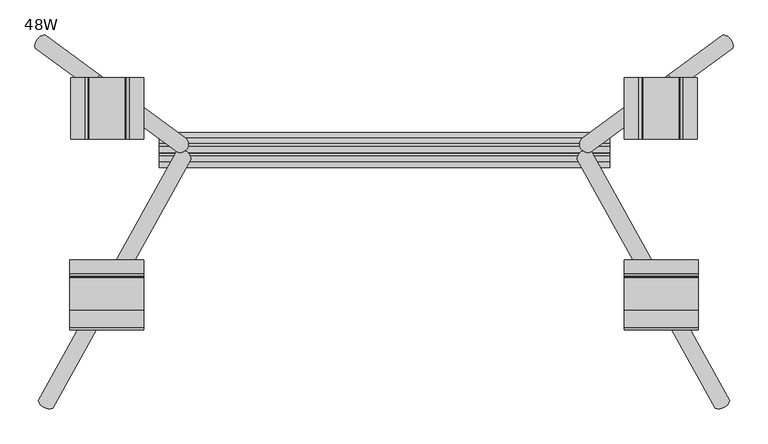
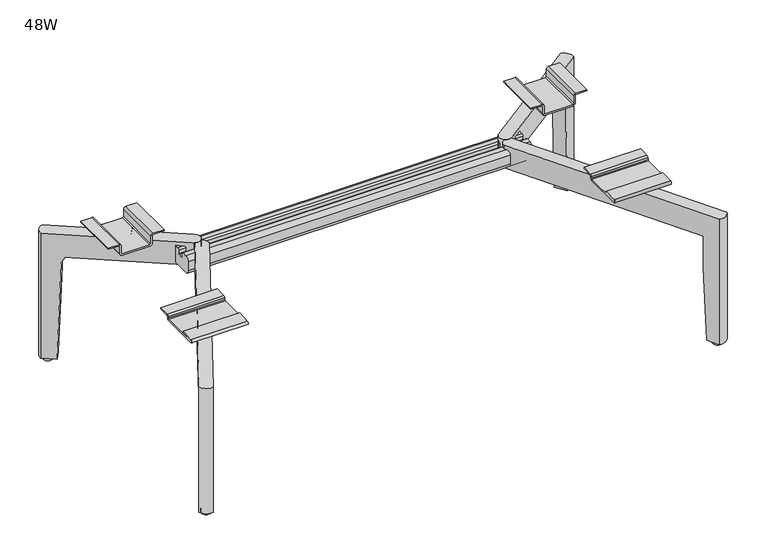
"""IFC4 building model written with IfcOpenShell, lengths in millimetres: furniture geometry, 48W."""

from ifc_helpers import new_model, si_unit, point, frame, frame_2d, origin, place, context, project, spatial, polyline, circle_curve, ellipse_curve, trimmed, segment, composite_curve, outline, extrude, source, transform, mapped, element, save
from ifc_brep_helpers import plane_surface, cylinder_surface, revolved_surface, advanced_brep


def furniture_48w_d276dc05(model_context):
    return source(origin(), model_context, "Body", "SolidModel", [
        advanced_brep(
        [(-447.8548281, -399.932442, 6.3507797), (-443.7499037, -402.2078387, 6.3507797), (-442.7371977, -403.2769427, 0.0), (-449.298132, -399.6401574, 0.0), (-460.7193509, -409.6947013, 6.3507797), (-440.4467253, -409.6947013, 6.3507797), (-440.4467253, -409.6947013, 0.0), (-460.7193509, -409.6947013, 0.0)],
        [
            (0, 1),
            (1, 2, ellipse_curve(frame((-450.5830381, -409.6947013, -134.6670445), z_axis=(0.4836286483778618, 0.872489177491038, -0.06975647374412301), x_axis=(0.03381860954561175, 0.061010386637161886, 0.9975640502598245)), 145.3099945, 10.1363128)),
            (2, 3),
            (3, 0, ellipse_curve(frame((-450.5830381, -409.6947013, -134.6670445), z_axis=(0.4836286483778618, 0.872489177491038, -0.06975647374412301), x_axis=(0.03381860954561175, 0.061010386637161886, 0.9975640502598245)), 145.3099945, 10.1363128)),
            (4, 5, circle_curve(frame((-450.5830381, -409.6947013, 6.3507797), z_axis=(0.0, 0.0, 1.0), x_axis=(1.0, 0.0, 0.0)), 10.1363128)),
            (5, 1, circle_curve(frame((-450.5830381, -409.6947013, 6.3507797), z_axis=(0.0, 0.0, 1.0), x_axis=(1.0, 0.0, 0.0)), 10.1363128)),
            (0, 4, circle_curve(frame((-450.5830381, -409.6947013, 6.3507797), z_axis=(0.0, 0.0, 1.0), x_axis=(1.0, 0.0, 0.0)), 10.1363128)),
            (6, 7, circle_curve(frame((-450.5830381, -409.6947013, 0.0), z_axis=(0.0, 0.0, -1.0), x_axis=(1.0, 0.0, 0.0)), 10.1363128)),
            (7, 3, circle_curve(frame((-450.5830381, -409.6947013, 0.0), z_axis=(0.0, 0.0, -1.0), x_axis=(1.0, 0.0, 0.0)), 10.1363128)),
            (2, 6, circle_curve(frame((-450.5830381, -409.6947013, 0.0), z_axis=(0.0, 0.0, -1.0), x_axis=(1.0, 0.0, 0.0)), 10.1363128)),
            (5, 6),
            (7, 4),
        ],
        [
            plane_surface(frame((-171.7888142, -535.4370031, 225.5013372), z_axis=(0.4836286483778618, 0.872489177491038, -0.06975647374412301), x_axis=(-0.8746197071393967, 0.48480962024633545, 0.0))),
            plane_surface(frame((-446.7419649, 171.9895532, 6.3507797), z_axis=(0.0, 0.0, 1.0), x_axis=(0.0, 1.0, 0.0))),
            plane_surface(frame((-446.7419649, 171.9895532, 0.0), z_axis=(0.0, 0.0, -1.0), x_axis=(0.0, -1.0, 0.0))),
            cylinder_surface(frame((-450.5830381, -409.6947013, 0.0), z_axis=(0.0, 0.0, 1.0), x_axis=(1.0, 0.0, 0.0)), 10.1363128),
        ],
        [
            (0, [[1, 2, 3, 4]]),
            (1, [[5, 6, -1, 7]]),
            (2, [[8, 9, -3, 10]]),
            (3, [[11, -10, -2, -6]]),
            (3, [[12, -7, -4, -9]]),
            (3, [[-5, -12, -8, -11]]),
        ],
    ),
        advanced_brep(
        [(-466.4437124, 171.9895532, 6.3507797), (-446.7419649, 171.9895532, 6.3507797), (-466.4437124, 171.9895532, 0.0), (-446.7419649, 171.9895532, 0.0)],
        [
            (0, 1, circle_curve(frame((-456.5928387, 171.9895532, 6.3507797), z_axis=(0.0, 0.0, 1.0), x_axis=(1.0, 0.0, 0.0)), 9.8508738)),
            (1, 0, circle_curve(frame((-456.5928387, 171.9895532, 6.3507797), z_axis=(0.0, 0.0, 1.0), x_axis=(1.0, 0.0, 0.0)), 9.8508738)),
            (2, 3, circle_curve(frame((-456.5928387, 171.9895532, 0.0), z_axis=(0.0, 0.0, -1.0), x_axis=(1.0, 0.0, 0.0)), 9.8508738)),
            (3, 2, circle_curve(frame((-456.5928387, 171.9895532, 0.0), z_axis=(0.0, 0.0, -1.0), x_axis=(1.0, 0.0, 0.0)), 9.8508738)),
            (1, 3),
            (2, 0),
        ],
        [
            plane_surface(frame((-446.7419649, 171.9895532, 6.3507797), z_axis=(0.0, 0.0, 1.0), x_axis=(0.0, 1.0, 0.0))),
            plane_surface(frame((-446.7419649, 171.9895532, 0.0), z_axis=(0.0, 0.0, -1.0), x_axis=(0.0, -1.0, 0.0))),
            cylinder_surface(frame((-456.5928387, 171.9895532, 0.0), z_axis=(0.0, 0.0, 1.0), x_axis=(1.0, 0.0, 0.0)), 9.8508738),
        ],
        [
            (0, [[1, 2]]),
            (1, [[3, 4]]),
            (2, [[-2, 5, -3, 6]]),
            (2, [[-1, -6, -4, -5]]),
        ],
    ),
        advanced_brep(
        [(-457.5662616, 189.9876549, 6.7022799), (-473.5132074, 168.2156528, 6.7022799), (-473.5132074, 168.2156528, 292.4522799), (-457.5662616, 189.9876549, 292.4522799), (-240.8156572, -2.2241264, 241.2086832), (-224.8687113, 19.5478757, 241.2086832), (-224.8687113, 19.5478757, 292.4522799), (-240.8156572, -2.2241264, 292.4522799), (-433.1586161, 172.1102269, 6.7022799), (-448.6415256, 149.9983405, 6.7022799), (-243.5889952, -0.1927895, 241.2086832), (-426.5620969, 133.8262194, 241.2086832), (-411.0791874, 155.9381058, 241.2086832), (-227.6420494, 21.5792126, 241.2086832), (-438.2836418, 142.4116881, 241.2086832), (-422.336696, 164.1836902, 241.2086832), (-416.1300478, 159.6376185, 241.2086832), (-431.6129574, 137.5257321, 241.2086832), (-422.336696, 164.1836902, 237.4952058), (-426.9937008, 167.5947225, 225.4829664), (-227.6420494, 21.5792126, 292.4522799), (-243.5889952, -0.1927895, 292.4522799), (-442.4766103, 145.4828361, 225.4829664), (-438.2836418, 142.4116881, 236.9772021)],
        [
            (0, 1, circle_curve(frame((-454.3433039, 170.9008062, 6.7022799), z_axis=(0.0, 0.0, 1.0), x_axis=(1.0, 0.0, 0.0)), 19.3570465)),
            (1, 2),
            (2, 3, circle_curve(frame((-454.3433039, 170.9008062, 292.4522799), z_axis=(0.0, 0.0, -1.0), x_axis=(1.0, 0.0, 0.0)), 19.3570465)),
            (3, 0),
            (4, 5, circle_curve(frame((-234.2288533, 9.6775431, 241.2086832), z_axis=(0.0, 0.0, 1.0), x_axis=(1.0, 0.0, 0.0)), 13.6027836)),
            (5, 6),
            (6, 7, circle_curve(frame((-234.2288533, 9.6775431, 292.4522799), z_axis=(0.0, 0.0, -1.0), x_axis=(1.0, 0.0, 0.0)), 13.6027836)),
            (7, 4),
            (0, 8),
            (8, 9),
            (9, 1),
            (4, 10),
            (10, 11),
            (11, 12),
            (12, 13),
            (13, 5),
            (14, 15),
            (15, 16),
            (16, 17),
            (17, 14),
            (12, 16, ellipse_curve(frame((-413.6046176, 157.7878621, 224.9035373), z_axis=(-0.5909011886848915, -0.8067439403000077, 0.0), x_axis=(0.8067439403000126, -0.5909011886848846, 0.0)), 16.6065634, 16.6027928)),
            (15, 18),
            (18, 19, ellipse_curve(frame((-413.6046176, 157.7878621, 224.9035373), z_axis=(-0.5909011886848915, -0.8067439403000077, 0.0), x_axis=(0.8067439403000126, -0.5909011886848846, 0.0)), 16.6065634, 16.6027928)),
            (19, 8),
            (3, 20),
            (20, 6),
            (2, 21),
            (21, 7),
            (9, 22),
            (22, 23, ellipse_curve(frame((-429.0875271, 135.6759757, 224.9035373), z_axis=(0.5909011886848914, 0.8067439403000077, 0.0), x_axis=(0.8067439403000108, -0.5909011886848872, 0.0)), 16.6065634, 16.6027928)),
            (23, 14),
            (17, 11, ellipse_curve(frame((-429.0875271, 135.6759757, 224.9035373), z_axis=(0.5909011886848914, 0.8067439403000077, 0.0), x_axis=(0.8067439403000108, -0.5909011886848872, 0.0)), 16.6065634, 16.6027928)),
            (23, 18, ellipse_curve(frame((-122.2524516, 573.8818773, 224.9035373), z_axis=(-0.8067439403000076, 0.5909011886848915, 0.0), x_axis=(-0.5909011886848915, -0.8067439403000077, 0.0)), 779.1591647, 16.6027928)),
            (19, 22),
        ],
        [
            cylinder_surface(frame((-454.3433039, 170.9008062, 0.0), z_axis=(0.0, 0.0, -1.0), x_axis=(1.0, 0.0, 0.0)), 19.3570465),
            cylinder_surface(frame((-234.2288533, 9.6775431, 0.0), z_axis=(0.0, 0.0, -1.0), x_axis=(1.0, 0.0, 0.0)), 13.6027836),
            plane_surface(frame((-471.7396919, 183.4559971, 6.7022799), z_axis=(0.0, 0.0, -1.0), x_axis=(-0.5909011886848915, -0.8067439403000076, 0.0))),
            plane_surface(frame((-217.2996816, -19.448449, 241.2086832), z_axis=(0.0, 0.0, -1.0000000000000002), x_axis=(-0.8067439403000077, 0.5909011886848915, 0.0))),
            plane_surface(frame((-201.3527358, 2.3235531, 241.2086832), z_axis=(0.5909011886848915, 0.8067439403000077, 0.0), x_axis=(-0.8067439403000077, 0.5909011886848915, 0.0))),
            plane_surface(frame((-201.3527358, 2.3235531, 292.4522799), z_axis=(0.0, 0.0, 1.0), x_axis=(-0.8067439403000076, 0.5909011886848915, 0.0))),
            plane_surface(frame((-217.2996816, -19.448449, 292.4522799), z_axis=(-0.5909011886848914, -0.8067439403000077, 0.0), x_axis=(-0.8067439403000077, 0.5909011886848914, 0.0))),
            plane_surface(frame((-438.2836418, 142.4116881, 241.2086832), z_axis=(0.8067439403000076, -0.5909011886848915, 0.0), x_axis=(0.0, 0.0, -1.0))),
            plane_surface(frame((-609.4927218, -93.0408907, 225.4829664), z_axis=(0.818653038996359, -0.5732270290835372, -0.0348994967024992), x_axis=(0.5735764363510455, 0.8191520442889922, 0.0))),
            revolved_surface(polyline([(-415.69028273483957, 125.86313766587284, 224.9035373), (-399.80143864469835, 148.55475868264432, 224.9035373)]), (-220.606391, 433.4178947, 224.9035373), (-0.5735764363510455, -0.8191520442889922, 0.0)),
            revolved_surface(polyline([(-555.4581048150881, -73.74599884472082, 224.9035373), (338.1536250263291, 1202.463811929674, 224.9035373)]), (-220.606391, 433.4178947, 224.9035373), (-0.5735764363510455, -0.8191520442889922, 0.0)),
        ],
        [
            (0, [[1, 2, 3, 4]]),
            (1, [[5, 6, 7, 8]]),
            (2, [[-1, 9, 10, 11]]),
            (3, [[12, 13, 14, 15, 16, -5]]),
            (3, [[17, 18, 19, 20]]),
            (4, [[-16, -15, 21, -18, 22, 23, 24, -9, -4, 25, 26, -6]]),
            (5, [[-25, -3, 27, 28, -7, -26]]),
            (6, [[-12, -8, -28, -27, -2, -11, 29, 30, 31, -20, 32, -13]]),
            (7, [[-17, -31, 33, -22]]),
            (8, [[34, -29, -10, -24]]),
            (9, [[-19, -21, -14, -32]]),
            (10, [[-34, -23, -33, -30]]),
        ],
    ),
        advanced_brep(
        [(-444.2904487, -426.4865494, 6.7022799), (-467.894248, -413.4027498, 6.7022799), (-454.8747402, -389.9149358, 6.7022799), (-431.2709408, -402.9987354, 6.7022799), (-427.1537242, -395.57108, 241.2086832), (-450.7575235, -382.4872804, 241.2086832), (-445.020032, -372.1365716, 241.2086832), (-240.3857524, -2.966559, 241.2086832), (-216.7819531, -16.0503586, 241.2086832), (-421.4162326, -385.2203713, 241.2086832), (-216.7819531, -16.0503586, 292.4522799), (-444.2904487, -426.4865494, 292.4522799), (-427.1537242, -395.57108, 168.7476885), (-240.3857524, -2.966559, 292.4522799), (-467.894248, -413.4027498, 292.4522799), (-450.7575235, -382.4872804, 168.7476885)],
        [
            (0, 1, circle_curve(frame((-449.4837107, -408.0223516, 6.7022799), z_axis=(0.0, 0.0, -1.0), x_axis=(1.0, 0.0, 0.0)), 19.1806301)),
            (1, 2),
            (2, 3),
            (3, 0),
            (4, 5),
            (5, 6),
            (6, 7),
            (7, 8, circle_curve(frame((-231.6722089, -15.0800008, 241.2086832), z_axis=(0.0, 0.0, -1.0), x_axis=(1.0, 0.0, 0.0)), 14.9218401)),
            (8, 9),
            (9, 4),
            (10, 11),
            (11, 0),
            (3, 12),
            (12, 4),
            (8, 10),
            (10, 13, circle_curve(frame((-231.6722089, -15.0800008, 292.4522799), z_axis=(0.0, 0.0, 1.0), x_axis=(1.0, 0.0, 0.0)), 14.9218401)),
            (13, 14),
            (14, 11, circle_curve(frame((-449.4837107, -408.0223516, 292.4522799), z_axis=(0.0, 0.0, 1.0), x_axis=(1.0, 0.0, 0.0)), 19.1806301)),
            (13, 7),
            (5, 15),
            (15, 2),
            (1, 14),
            (12, 15),
        ],
        [
            plane_surface(frame((-463.9308371, -433.7747682, 6.7022799), z_axis=(0.0, 0.0, -1.0000000000000002), x_axis=(-0.8746197071393967, 0.4848096202463355, 0.0))),
            plane_surface(frame((-198.9909415, 16.045476, 241.2086832), z_axis=(0.0, 0.0, -1.0), x_axis=(-0.48480962024633556, -0.8746197071393966, 0.0))),
            plane_surface(frame((-198.9909415, 16.045476, 292.4522799), z_axis=(0.8746197071393967, -0.48480962024633545, 0.0), x_axis=(-0.48480962024633545, -0.8746197071393967, 0.0))),
            plane_surface(frame((-222.5947408, 29.1292756, 292.4522799), z_axis=(0.0, 0.0, 1.0), x_axis=(-0.48480962024633545, -0.8746197071393967, 0.0))),
            plane_surface(frame((-222.5947408, 29.1292756, 241.2086832), z_axis=(-0.8746197071393967, 0.4848096202463355, 0.0), x_axis=(-0.4848096202463355, -0.8746197071393967, 0.0))),
            plane_surface(frame((-427.1537242, -395.57108, 241.2086832), z_axis=(0.48480962024633556, 0.8746197071393966, 0.0), x_axis=(0.0, 0.0, -1.0))),
            cylinder_surface(frame((-449.4837107, -408.0223516, 0.0), z_axis=(0.0, 0.0, -1.0), x_axis=(1.0, 0.0, 0.0)), 19.1806301),
            cylinder_surface(frame((-231.6722089, -15.0800008, 0.0), z_axis=(0.0, 0.0, -1.0), x_axis=(1.0, 0.0, 0.0)), 14.9218401),
            plane_surface(frame((-171.0618568, -534.1255371, 225.4824396), z_axis=(0.4841452055111397, 0.8734210712277972, -0.05233595624294561), x_axis=(-0.8746197071393966, 0.48480962024633556, 0.0))),
        ],
        [
            (0, [[1, 2, 3, 4]]),
            (1, [[5, 6, 7, 8, 9, 10]]),
            (2, [[11, 12, -4, 13, 14, -10, -9, 15]]),
            (3, [[-11, 16, 17, 18]]),
            (4, [[-17, 19, -7, -6, 20, 21, -2, 22]]),
            (5, [[-5, -14, 23, -20]]),
            (6, [[-1, -12, -18, -22]]),
            (7, [[-8, -19, -16, -15]]),
            (8, [[-3, -21, -23, -13]]),
        ],
    ),
        extrude(outline(polyline([(-360.2254616, -274.8292982), (-383.3337783, -262.0201491), (-354.8019114, -210.5472986), (-331.6935947, -223.3564477), (-360.2254616, -274.8292982)])), frame((0.0, 0.0, 292.4522799), z_axis=(0.0, 0.0, 1.0), x_axis=(1.0, 0.0, 0.0)), (0.0, 0.0, 1.0), 9.681731),
        extrude(outline(polyline([(-336.1197035, 67.5815101), (-383.0501241, 101.9557892), (-367.1031783, 123.7277912), (-320.1727577, 89.3535122), (-336.1197035, 67.5815101)])), frame((0.0, 0.0, 292.4522799), z_axis=(0.0, 0.0, 1.0), x_axis=(1.0, 0.0, 0.0)), (0.0, 0.0, 1.0), 9.681731),
        extrude(outline(composite_curve([segment(polyline([(329.0146194, -391.536926), (329.0146194, -414.919227), (326.1962261, -414.919227), (326.1962261, -389.5196146), (307.319003, -389.5196146)]), True, "CONTINUOUS"), segment(trimmed(circle_curve(frame_2d((307.319003, -384.3346224)), 5.1849921), [point((307.319003, -389.5196146))], [point((302.1340108, -384.3346224))], False, "CARTESIAN"), True, "CONTINUOUS"), segment(polyline([(302.1340108, -384.3346224), (302.1340108, -324.9218765)]), True, "CONTINUOUS"), segment(trimmed(circle_curve(frame_2d((307.319003, -324.9218765)), 5.1849921), [point((302.1340108, -324.9218765))], [point((307.319003, -319.7368843))], False, "CARTESIAN"), True, "CONTINUOUS"), segment(polyline([(307.319003, -319.7368843), (326.1962261, -319.7368843), (326.1962261, -294.3372719), (329.0146194, -294.3372719), (329.0146194, -317.7195729)]), True, "CONTINUOUS"), segment(trimmed(circle_curve(frame_2d((323.9591212, -317.7195729)), 5.0554981), [point((329.0146194, -317.7195729))], [point((323.9591212, -322.775071))], False, "CARTESIAN"), True, "CONTINUOUS"), segment(polyline([(323.9591212, -322.775071), (307.4106461, -322.775071)]), True, "CONTINUOUS"), segment(trimmed(circle_curve(frame_2d((307.4106461, -325.0138648)), 2.2387938), [point((307.4106461, -322.775071))], [point((305.1718523, -325.0138648))], True, "CARTESIAN"), True, "CONTINUOUS"), segment(polyline([(305.1718523, -325.0138648), (305.1718523, -384.2426342)]), True, "CONTINUOUS"), segment(trimmed(circle_curve(frame_2d((307.4106461, -384.2426342)), 2.2387938), [point((305.1718523, -384.2426342))], [point((307.4106461, -386.4814279))], True, "CARTESIAN"), True, "CONTINUOUS"), segment(polyline([(307.4106461, -386.4814279), (323.9591212, -386.4814279)]), True, "CONTINUOUS"), segment(trimmed(circle_curve(frame_2d((323.9591212, -391.536926)), 5.0554981), [point((323.9591212, -386.4814279))], [point((329.0146194, -391.536926))], False, "CARTESIAN"), True, "CONTINUOUS")], self_intersect=False)), frame((0.0, 17.8704543, 0.0), z_axis=(0.0, 1.0, 0.0), x_axis=(0.0, 0.0, 1.0)), (0.0, 0.0, 1.0), 101.810408),
        extrude(outline(composite_curve([segment(trimmed(circle_curve(frame_2d((-211.0902359, 307.1149751)), 2.0175498), [point((-210.5472986, 305.1718523))], [point((-209.1329432, 306.625575))], True, "CARTESIAN"), True, "CONTINUOUS"), segment(trimmed(circle_curve(frame_2d((-199.2165598, 307.1360729)), 9.9295149), [point((-209.1329432, 306.625575))], [point((-208.6006854, 310.3816014))], False, "CARTESIAN"), True, "CONTINUOUS"), segment(trimmed(circle_curve(frame_2d((-204.2966829, 308.8930489)), 4.5541438), [point((-208.6006854, 310.3816014))], [point((-204.5350283, 313.4409515))], False, "CARTESIAN"), True, "CONTINUOUS"), segment(polyline([(-204.5350283, 313.4409515), (-181.1002415, 314.6691166), (-181.1002415, 311.7478878), (-204.6399799, 310.5142224)]), True, "CONTINUOUS"), segment(trimmed(circle_curve(frame_2d((-204.5626663, 308.9892465)), 1.5269345), [point((-204.6399799, 310.5142224))], [point((-206.0896008, 308.9892465))], True, "CARTESIAN"), True, "CONTINUOUS"), segment(polyline([(-206.0896008, 308.9892465), (-206.0896008, 306.6958872)]), True, "CONTINUOUS"), segment(trimmed(circle_curve(frame_2d((-210.5472986, 306.5928983)), 4.4588874), [point((-206.0896008, 306.6958872))], [point((-210.5472986, 302.1340108))], False, "CARTESIAN"), True, "CONTINUOUS"), segment(polyline([(-210.5472986, 302.1340108), (-293.0972986, 302.1340108)]), True, "CONTINUOUS"), segment(trimmed(circle_curve(frame_2d((-292.9140969, 305.629708)), 3.5004944), [point((-293.0972986, 302.1340108))], [point((-293.0972986, 309.1254051))], False, "CARTESIAN"), True, "CONTINUOUS"), segment(polyline([(-293.0972986, 309.1254051), (-264.6966329, 310.6138209), (-264.6966329, 307.6763522), (-293.0972986, 306.1879364)]), True, "CONTINUOUS"), segment(trimmed(circle_curve(frame_2d((-293.0706733, 305.6798944)), 0.5087393), [point((-293.0972986, 306.1879364))], [point((-293.0972986, 305.1718523))], True, "CARTESIAN"), True, "CONTINUOUS"), segment(polyline([(-293.0972986, 305.1718523), (-210.5472986, 305.1718523)]), True, "CONTINUOUS")], self_intersect=False)), frame((-416.0038708, 0.0, 0.0), z_axis=(1.0, 0.0, 0.0), x_axis=(0.0, 1.0, 0.0)), (0.0, 0.0, 1.0), 121.840912),
        advanced_brep(
        [(651.0798535, -399.932442, 6.3507797), (652.5231575, -399.6401574, 0.0), (645.9622232, -403.2769427, 0.0), (646.9749291, -402.2078387, 6.3507797), (663.9443764, -409.6947013, 6.3507797), (643.6717507, -409.6947013, 6.3507797), (643.6717507, -409.6947013, 0.0), (663.9443764, -409.6947013, 0.0)],
        [
            (0, 1, ellipse_curve(frame((653.8080635, -409.6947013, -134.6670445), z_axis=(-0.4836286483778618, 0.872489177491038, -0.06975647374412301), x_axis=(-0.03381860954561175, 0.061010386637161886, 0.9975640502598245)), 145.3099945, 10.1363128)),
            (1, 2),
            (2, 3, ellipse_curve(frame((653.8080635, -409.6947013, -134.6670445), z_axis=(-0.4836286483778618, 0.872489177491038, -0.06975647374412301), x_axis=(-0.03381860954561175, 0.061010386637161886, 0.9975640502598245)), 145.3099945, 10.1363128)),
            (3, 0),
            (4, 0, circle_curve(frame((653.8080635, -409.6947013, 6.3507797), z_axis=(0.0, 0.0, 1.0), x_axis=(-1.0, 0.0, 0.0)), 10.1363128)),
            (3, 5, circle_curve(frame((653.8080635, -409.6947013, 6.3507797), z_axis=(0.0, 0.0, 1.0), x_axis=(-1.0, 0.0, 0.0)), 10.1363128)),
            (5, 4, circle_curve(frame((653.8080635, -409.6947013, 6.3507797), z_axis=(0.0, 0.0, 1.0), x_axis=(-1.0, 0.0, 0.0)), 10.1363128)),
            (6, 2, circle_curve(frame((653.8080635, -409.6947013, 0.0), z_axis=(0.0, 0.0, -1.0), x_axis=(-1.0, 0.0, 0.0)), 10.1363128)),
            (1, 7, circle_curve(frame((653.8080635, -409.6947013, 0.0), z_axis=(0.0, 0.0, -1.0), x_axis=(-1.0, 0.0, 0.0)), 10.1363128)),
            (7, 6, circle_curve(frame((653.8080635, -409.6947013, 0.0), z_axis=(0.0, 0.0, -1.0), x_axis=(-1.0, 0.0, 0.0)), 10.1363128)),
            (6, 5),
            (4, 7),
        ],
        [
            plane_surface(frame((375.0138397, -535.4370031, 225.5013372), z_axis=(-0.4836286483778618, 0.872489177491038, -0.06975647374412301), x_axis=(0.8746197071393967, 0.48480962024633545, 0.0))),
            plane_surface(frame((649.9669904, 171.9895532, 6.3507797), z_axis=(0.0, 0.0, 1.0), x_axis=(0.0, 1.0, 0.0))),
            plane_surface(frame((649.9669904, 171.9895532, 0.0), z_axis=(0.0, 0.0, -1.0), x_axis=(0.0, -1.0, 0.0))),
            cylinder_surface(frame((653.8080635, -409.6947013, 0.0), z_axis=(0.0, 0.0, 1.0), x_axis=(-1.0, 0.0, 0.0)), 10.1363128),
        ],
        [
            (0, [[1, 2, 3, 4]]),
            (1, [[5, -4, 6, 7]]),
            (2, [[8, -2, 9, 10]]),
            (3, [[-6, -3, -8, 11]]),
            (3, [[-9, -1, -5, 12]]),
            (3, [[-11, -10, -12, -7]]),
        ],
    ),
        advanced_brep(
        [(669.6687379, 171.9895532, 6.3507797), (649.9669904, 171.9895532, 6.3507797), (669.6687379, 171.9895532, 0.0), (649.9669904, 171.9895532, 0.0)],
        [
            (0, 1, circle_curve(frame((659.8178641, 171.9895532, 6.3507797), z_axis=(0.0, 0.0, 1.0), x_axis=(-1.0, 0.0, 0.0)), 9.8508738)),
            (1, 0, circle_curve(frame((659.8178641, 171.9895532, 6.3507797), z_axis=(0.0, 0.0, 1.0), x_axis=(-1.0, 0.0, 0.0)), 9.8508738)),
            (2, 3, circle_curve(frame((659.8178641, 171.9895532, 0.0), z_axis=(0.0, 0.0, -1.0), x_axis=(-1.0, 0.0, 0.0)), 9.8508738)),
            (3, 2, circle_curve(frame((659.8178641, 171.9895532, 0.0), z_axis=(0.0, 0.0, -1.0), x_axis=(-1.0, 0.0, 0.0)), 9.8508738)),
            (0, 2),
            (3, 1),
        ],
        [
            plane_surface(frame((649.9669904, 171.9895532, 6.3507797), z_axis=(0.0, 0.0, 1.0), x_axis=(0.0, 1.0, 0.0))),
            plane_surface(frame((649.9669904, 171.9895532, 0.0), z_axis=(0.0, 0.0, -1.0), x_axis=(0.0, -1.0, 0.0))),
            cylinder_surface(frame((659.8178641, 171.9895532, 0.0), z_axis=(0.0, 0.0, 1.0), x_axis=(-1.0, 0.0, 0.0)), 9.8508738),
        ],
        [
            (0, [[1, 2]]),
            (1, [[3, 4]]),
            (2, [[5, -4, 6, -1]]),
            (2, [[-6, -3, -5, -2]]),
        ],
    ),
        advanced_brep(
        [(660.791287, 189.9876549, 6.7022799), (660.791287, 189.9876549, 292.4522799), (676.7382329, 168.2156528, 292.4522799), (676.7382329, 168.2156528, 6.7022799), (444.0406826, -2.2241264, 241.2086832), (444.0406826, -2.2241264, 292.4522799), (428.0937368, 19.5478757, 292.4522799), (428.0937368, 19.5478757, 241.2086832), (651.8665511, 149.9983405, 6.7022799), (636.3836416, 172.1102269, 6.7022799), (641.5086673, 142.4116881, 241.2086832), (634.8379828, 137.5257321, 241.2086832), (619.3550733, 159.6376185, 241.2086832), (625.5617215, 164.1836902, 241.2086832), (430.8670749, 21.5792126, 241.2086832), (614.3042128, 155.9381058, 241.2086832), (629.7871224, 133.8262194, 241.2086832), (446.8140207, -0.1927895, 241.2086832), (430.8670749, 21.5792126, 292.4522799), (630.2187262, 167.5947225, 225.4829664), (625.5617215, 164.1836902, 237.4952058), (446.8140207, -0.1927895, 292.4522799), (641.5086673, 142.4116881, 236.9772021), (645.7016358, 145.4828361, 225.4829664)],
        [
            (0, 1),
            (1, 2, circle_curve(frame((657.5683293, 170.9008062, 292.4522799), z_axis=(0.0, 0.0, -1.0), x_axis=(-1.0, 0.0, 0.0)), 19.3570465)),
            (2, 3),
            (3, 0, circle_curve(frame((657.5683293, 170.9008062, 6.7022799), z_axis=(0.0, 0.0, 1.0), x_axis=(-1.0, 0.0, 0.0)), 19.3570465)),
            (4, 5),
            (5, 6, circle_curve(frame((437.4538787, 9.6775431, 292.4522799), z_axis=(0.0, 0.0, -1.0), x_axis=(-1.0, 0.0, 0.0)), 13.6027836)),
            (6, 7),
            (7, 4, circle_curve(frame((437.4538787, 9.6775431, 241.2086832), z_axis=(0.0, 0.0, 1.0), x_axis=(-1.0, 0.0, 0.0)), 13.6027836)),
            (3, 8),
            (8, 9),
            (9, 0),
            (10, 11),
            (11, 12),
            (12, 13),
            (13, 10),
            (7, 14),
            (14, 15),
            (15, 16),
            (16, 17),
            (17, 4),
            (6, 18),
            (18, 1),
            (9, 19),
            (19, 20, ellipse_curve(frame((616.8296431, 157.7878621, 224.9035373), z_axis=(0.5909011886848915, -0.8067439403000077, 0.0), x_axis=(-0.8067439403000126, -0.5909011886848846, 0.0)), 16.6065634, 16.6027928)),
            (20, 13),
            (12, 15, ellipse_curve(frame((616.8296431, 157.7878621, 224.9035373), z_axis=(0.5909011886848915, -0.8067439403000077, 0.0), x_axis=(-0.8067439403000126, -0.5909011886848846, 0.0)), 16.6065634, 16.6027928)),
            (5, 21),
            (21, 2),
            (16, 11, ellipse_curve(frame((632.3125526, 135.6759757, 224.9035373), z_axis=(-0.5909011886848914, 0.8067439403000077, 0.0), x_axis=(-0.8067439403000108, -0.5909011886848872, 0.0)), 16.6065634, 16.6027928)),
            (10, 22),
            (22, 23, ellipse_curve(frame((632.3125526, 135.6759757, 224.9035373), z_axis=(-0.5909011886848914, 0.8067439403000077, 0.0), x_axis=(-0.8067439403000108, -0.5909011886848872, 0.0)), 16.6065634, 16.6027928)),
            (23, 8),
            (20, 22, ellipse_curve(frame((325.477477, 573.8818773, 224.9035373), z_axis=(0.8067439403000076, 0.5909011886848915, 0.0), x_axis=(0.5909011886848915, -0.8067439403000077, 0.0)), 779.1591647, 16.6027928)),
            (23, 19),
        ],
        [
            cylinder_surface(frame((657.5683293, 170.9008062, 0.0), z_axis=(0.0, 0.0, -1.0), x_axis=(-1.0, 0.0, 0.0)), 19.3570465),
            cylinder_surface(frame((437.4538787, 9.6775431, 0.0), z_axis=(0.0, 0.0, -1.0), x_axis=(-1.0, 0.0, 0.0)), 13.6027836),
            plane_surface(frame((674.9647174, 183.4559971, 6.7022799), z_axis=(0.0, 0.0, -1.0), x_axis=(0.5909011886848915, -0.8067439403000076, 0.0))),
            plane_surface(frame((420.5247071, -19.448449, 241.2086832), z_axis=(0.0, 0.0, -1.0000000000000002), x_axis=(0.8067439403000077, 0.5909011886848915, 0.0))),
            plane_surface(frame((404.5777613, 2.3235531, 241.2086832), z_axis=(-0.5909011886848915, 0.8067439403000077, 0.0), x_axis=(0.8067439403000077, 0.5909011886848915, 0.0))),
            plane_surface(frame((404.5777613, 2.3235531, 292.4522799), z_axis=(0.0, 0.0, 1.0), x_axis=(0.8067439403000076, 0.5909011886848915, 0.0))),
            plane_surface(frame((420.5247071, -19.448449, 292.4522799), z_axis=(0.5909011886848914, -0.8067439403000077, 0.0), x_axis=(0.8067439403000077, 0.5909011886848914, 0.0))),
            plane_surface(frame((641.5086673, 142.4116881, 241.2086832), z_axis=(-0.8067439403000076, -0.5909011886848915, 0.0), x_axis=(0.0, 0.0, -1.0))),
            plane_surface(frame((812.7177473, -93.0408907, 225.4829664), z_axis=(-0.818653038996359, -0.5732270290835372, -0.0348994967024992), x_axis=(-0.5735764363510455, 0.8191520442889922, 0.0))),
            revolved_surface(polyline([(758.683130282189, -73.74599879773615, 224.9035373), (-134.92859955922808, 1202.4638119766587, 224.9035373)]), (423.8314165, 433.4178947, 224.9035373), (0.5735764363510455, -0.8191520442889922, 0.0)),
            revolved_surface(polyline([(618.9153082348396, 125.86313766587284, 224.9035373), (603.0264641446983, 148.55475868264432, 224.9035373)]), (423.8314165, 433.4178947, 224.9035373), (0.5735764363510455, -0.8191520442889922, 0.0)),
        ],
        [
            (0, [[1, 2, 3, 4]]),
            (1, [[5, 6, 7, 8]]),
            (2, [[9, 10, 11, -4]]),
            (3, [[12, 13, 14, 15]]),
            (3, [[-8, 16, 17, 18, 19, 20]]),
            (4, [[-7, 21, 22, -1, -11, 23, 24, 25, -14, 26, -17, -16]]),
            (5, [[-21, -6, 27, 28, -2, -22]]),
            (6, [[-19, 29, -12, 30, 31, 32, -9, -3, -28, -27, -5, -20]]),
            (7, [[-25, 33, -30, -15]]),
            (8, [[-23, -10, -32, 34]]),
            (9, [[-31, -33, -24, -34]]),
            (10, [[-29, -18, -26, -13]]),
        ],
    ),
        advanced_brep(
        [(647.5154741, -426.4865494, 6.7022799), (634.4959663, -402.9987354, 6.7022799), (658.0997656, -389.9149358, 6.7022799), (671.1192735, -413.4027498, 6.7022799), (630.3787497, -395.57108, 241.2086832), (624.6412581, -385.2203713, 241.2086832), (420.0069785, -16.0503586, 241.2086832), (443.6107779, -2.966559, 241.2086832), (648.2450574, -372.1365716, 241.2086832), (653.982549, -382.4872804, 241.2086832), (420.0069785, -16.0503586, 292.4522799), (630.3787497, -395.57108, 168.7476885), (647.5154741, -426.4865494, 292.4522799), (671.1192735, -413.4027498, 292.4522799), (443.6107779, -2.966559, 292.4522799), (653.982549, -382.4872804, 168.7476885)],
        [
            (0, 1),
            (1, 2),
            (2, 3),
            (3, 0, circle_curve(frame((652.7087361, -408.0223516, 6.7022799), z_axis=(0.0, 0.0, -1.0), x_axis=(-1.0, 0.0, 0.0)), 19.1806301)),
            (4, 5),
            (5, 6),
            (6, 7, circle_curve(frame((434.8972344, -15.0800008, 241.2086832), z_axis=(0.0, 0.0, -1.0), x_axis=(-1.0, 0.0, 0.0)), 14.9218401)),
            (7, 8),
            (8, 9),
            (9, 4),
            (10, 6),
            (4, 11),
            (11, 1),
            (0, 12),
            (12, 10),
            (12, 13, circle_curve(frame((652.7087361, -408.0223516, 292.4522799), z_axis=(0.0, 0.0, 1.0), x_axis=(-1.0, 0.0, 0.0)), 19.1806301)),
            (13, 14),
            (14, 10, circle_curve(frame((434.8972344, -15.0800008, 292.4522799), z_axis=(0.0, 0.0, 1.0), x_axis=(-1.0, 0.0, 0.0)), 14.9218401)),
            (13, 3),
            (2, 15),
            (15, 9),
            (7, 14),
            (15, 11),
        ],
        [
            plane_surface(frame((667.1558626, -433.7747682, 6.7022799), z_axis=(0.0, 0.0, -1.0000000000000002), x_axis=(0.8746197071393967, 0.4848096202463355, 0.0))),
            plane_surface(frame((402.2159669, 16.045476, 241.2086832), z_axis=(0.0, 0.0, -1.0), x_axis=(0.48480962024633556, -0.8746197071393966, 0.0))),
            plane_surface(frame((402.2159669, 16.045476, 292.4522799), z_axis=(-0.8746197071393967, -0.48480962024633545, 0.0), x_axis=(0.48480962024633545, -0.8746197071393967, 0.0))),
            plane_surface(frame((425.8197663, 29.1292756, 292.4522799), z_axis=(0.0, 0.0, 1.0), x_axis=(0.48480962024633545, -0.8746197071393967, 0.0))),
            plane_surface(frame((425.8197663, 29.1292756, 241.2086832), z_axis=(0.8746197071393967, 0.4848096202463355, 0.0), x_axis=(0.4848096202463355, -0.8746197071393967, 0.0))),
            plane_surface(frame((630.3787497, -395.57108, 241.2086832), z_axis=(-0.48480962024633556, 0.8746197071393966, 0.0), x_axis=(0.0, 0.0, -1.0))),
            cylinder_surface(frame((652.7087361, -408.0223516, 0.0), z_axis=(0.0, 0.0, -1.0), x_axis=(-1.0, 0.0, 0.0)), 19.1806301),
            cylinder_surface(frame((434.8972344, -15.0800008, 0.0), z_axis=(0.0, 0.0, -1.0), x_axis=(-1.0, 0.0, 0.0)), 14.9218401),
            plane_surface(frame((374.2868822, -534.1255371, 225.4824396), z_axis=(-0.4841452055111397, 0.8734210712277972, -0.05233595624294561), x_axis=(0.8746197071393966, 0.48480962024633556, 0.0))),
        ],
        [
            (0, [[1, 2, 3, 4]]),
            (1, [[5, 6, 7, 8, 9, 10]]),
            (2, [[11, -6, -5, 12, 13, -1, 14, 15]]),
            (3, [[16, 17, 18, -15]]),
            (4, [[19, -3, 20, 21, -9, -8, 22, -17]]),
            (5, [[-21, 23, -12, -10]]),
            (6, [[-19, -16, -14, -4]]),
            (7, [[-11, -18, -22, -7]]),
            (8, [[-13, -23, -20, -2]]),
        ],
    ),
        extrude(outline(polyline([(563.4504871, -274.8292982), (534.9186202, -223.3564477), (558.0269369, -210.5472986), (586.5588038, -262.0201491), (563.4504871, -274.8292982)])), frame((0.0, 0.0, 292.4522799), z_axis=(0.0, 0.0, 1.0), x_axis=(1.0, 0.0, 0.0)), (0.0, 0.0, 1.0), 9.681731),
        extrude(outline(polyline([(539.344729, 67.5815101), (523.3977832, 89.3535122), (570.3282037, 123.7277912), (586.2751495, 101.9557892), (539.344729, 67.5815101)])), frame((0.0, 0.0, 292.4522799), z_axis=(0.0, 0.0, 1.0), x_axis=(1.0, 0.0, 0.0)), (0.0, 0.0, 1.0), 9.681731),
        extrude(outline(composite_curve([segment(trimmed(circle_curve(frame_2d((323.9591212, 594.7619515)), 5.0554981), [point((329.0146194, 594.7619515))], [point((323.9591212, 589.7064534))], False, "CARTESIAN"), True, "CONTINUOUS"), segment(polyline([(323.9591212, 589.7064534), (307.4106461, 589.7064534)]), True, "CONTINUOUS"), segment(trimmed(circle_curve(frame_2d((307.4106461, 587.4676596)), 2.2387938), [point((307.4106461, 589.7064534))], [point((305.1718523, 587.4676596))], True, "CARTESIAN"), True, "CONTINUOUS"), segment(polyline([(305.1718523, 587.4676596), (305.1718523, 528.2388902)]), True, "CONTINUOUS"), segment(trimmed(circle_curve(frame_2d((307.4106461, 528.2388902)), 2.2387938), [point((305.1718523, 528.2388902))], [point((307.4106461, 526.0000964))], True, "CARTESIAN"), True, "CONTINUOUS"), segment(polyline([(307.4106461, 526.0000964), (323.9591212, 526.0000964)]), True, "CONTINUOUS"), segment(trimmed(circle_curve(frame_2d((323.9591212, 520.9445983)), 5.0554981), [point((323.9591212, 526.0000964))], [point((329.0146194, 520.9445983))], False, "CARTESIAN"), True, "CONTINUOUS"), segment(polyline([(329.0146194, 520.9445983), (329.0146194, 497.5622974), (326.1962261, 497.5622974), (326.1962261, 522.9619098), (307.319003, 522.9619098)]), True, "CONTINUOUS"), segment(trimmed(circle_curve(frame_2d((307.319003, 528.1469019)), 5.1849921), [point((307.319003, 522.9619098))], [point((302.1340108, 528.1469019))], False, "CARTESIAN"), True, "CONTINUOUS"), segment(polyline([(302.1340108, 528.1469019), (302.1340108, 587.5596479)]), True, "CONTINUOUS"), segment(trimmed(circle_curve(frame_2d((307.319003, 587.5596479)), 5.1849921), [point((302.1340108, 587.5596479))], [point((307.319003, 592.74464))], False, "CARTESIAN"), True, "CONTINUOUS"), segment(polyline([(307.319003, 592.74464), (326.1962261, 592.74464), (326.1962261, 618.1442524), (329.0146194, 618.1442524), (329.0146194, 594.7619515)]), True, "CONTINUOUS")], self_intersect=False)), frame((0.0, 17.8704543, 0.0), z_axis=(0.0, 1.0, 0.0), x_axis=(0.0, 0.0, 1.0)), (0.0, 0.0, 1.0), 101.810408),
        extrude(outline(composite_curve([segment(trimmed(circle_curve(frame_2d((-211.0902359, 307.1149751)), 2.0175498), [point((-210.5472986, 305.1718523))], [point((-209.1329432, 306.625575))], True, "CARTESIAN"), True, "CONTINUOUS"), segment(trimmed(circle_curve(frame_2d((-199.2165598, 307.1360729)), 9.9295149), [point((-209.1329432, 306.625575))], [point((-208.6006854, 310.3816014))], False, "CARTESIAN"), True, "CONTINUOUS"), segment(trimmed(circle_curve(frame_2d((-204.2966829, 308.8930489)), 4.5541438), [point((-208.6006854, 310.3816014))], [point((-204.5350283, 313.4409515))], False, "CARTESIAN"), True, "CONTINUOUS"), segment(polyline([(-204.5350283, 313.4409515), (-181.1002415, 314.6691166), (-181.1002415, 311.7478878), (-204.6399799, 310.5142224)]), True, "CONTINUOUS"), segment(trimmed(circle_curve(frame_2d((-204.5626663, 308.9892465)), 1.5269345), [point((-204.6399799, 310.5142224))], [point((-206.0896008, 308.9892465))], True, "CARTESIAN"), True, "CONTINUOUS"), segment(polyline([(-206.0896008, 308.9892465), (-206.0896008, 306.6958872)]), True, "CONTINUOUS"), segment(trimmed(circle_curve(frame_2d((-210.5472986, 306.5928983)), 4.4588874), [point((-206.0896008, 306.6958872))], [point((-210.5472986, 302.1340108))], False, "CARTESIAN"), True, "CONTINUOUS"), segment(polyline([(-210.5472986, 302.1340108), (-293.0972986, 302.1340108)]), True, "CONTINUOUS"), segment(trimmed(circle_curve(frame_2d((-292.9140969, 305.629708)), 3.5004944), [point((-293.0972986, 302.1340108))], [point((-293.0972986, 309.1254051))], False, "CARTESIAN"), True, "CONTINUOUS"), segment(polyline([(-293.0972986, 309.1254051), (-264.6966329, 310.6138209), (-264.6966329, 307.6763522), (-293.0972986, 306.1879364)]), True, "CONTINUOUS"), segment(trimmed(circle_curve(frame_2d((-293.0706733, 305.6798944)), 0.5087393), [point((-293.0972986, 306.1879364))], [point((-293.0972986, 305.1718523))], True, "CARTESIAN"), True, "CONTINUOUS"), segment(polyline([(-293.0972986, 305.1718523), (-210.5472986, 305.1718523)]), True, "CONTINUOUS")], self_intersect=False)), frame((497.3879843, 0.0, 0.0), z_axis=(1.0, 0.0, 0.0), x_axis=(0.0, 1.0, 0.0)), (0.0, 0.0, 1.0), 121.840912),
        extrude(outline(composite_curve([segment(polyline([(20.3378129, 245.5787965), (-19.9503104, 245.5787965)]), True, "CONTINUOUS"), segment(trimmed(circle_curve(frame_2d((-19.9503104, 254.2877832)), 8.7089867), [point((-19.9503104, 245.5787965))], [point((-28.6592972, 254.2877832))], False, "CARTESIAN"), True, "CONTINUOUS"), segment(polyline([(-28.6592972, 254.2877832), (-28.6592972, 275.3443622)]), True, "CONTINUOUS"), segment(trimmed(circle_curve(frame_2d((-20.0402872, 275.3443622)), 8.61901), [point((-28.6592972, 275.3443622))], [point((-20.0402872, 283.9633721))], False, "CARTESIAN"), True, "CONTINUOUS"), segment(polyline([(-20.0402872, 283.9633721), (-9.583556, 283.9633721)]), True, "CONTINUOUS"), segment(trimmed(circle_curve(frame_2d((-9.583556, 280.5727521)), 3.3906201), [point((-9.583556, 283.9633721))], [point((-6.1929359, 280.5727521))], False, "CARTESIAN"), True, "CONTINUOUS"), segment(polyline([(-6.1929359, 280.5727521), (-6.1929359, 272.0093164)]), True, "CONTINUOUS"), segment(trimmed(circle_curve(frame_2d((-5.3044616, 272.0093164)), 0.8884743), [point((-6.1929359, 272.0093164))], [point((-5.3044616, 271.1208421))], True, "CARTESIAN"), True, "CONTINUOUS"), segment(polyline([(-5.3044616, 271.1208421), (5.6231544, 271.1208421)]), True, "CONTINUOUS"), segment(trimmed(circle_curve(frame_2d((5.6231544, 272.004994)), 0.8841519), [point((5.6231544, 271.1208421))], [point((6.5073063, 272.004994))], True, "CARTESIAN"), True, "CONTINUOUS"), segment(polyline([(6.5073063, 272.004994), (6.5073063, 280.2341976)]), True, "CONTINUOUS"), segment(trimmed(circle_curve(frame_2d((10.2364808, 280.2341976)), 3.7291745), [point((6.5073063, 280.2341976))], [point((10.2364808, 283.9633721))], False, "CARTESIAN"), True, "CONTINUOUS"), segment(polyline([(10.2364808, 283.9633721), (20.4106361, 283.9633721)]), True, "CONTINUOUS"), segment(trimmed(circle_curve(frame_2d((20.4106361, 275.4001954)), 8.5631768), [point((20.4106361, 283.9633721))], [point((28.9738129, 275.4001954))], False, "CARTESIAN"), True, "CONTINUOUS"), segment(polyline([(28.9738129, 275.4001954), (28.9738129, 254.2147965)]), True, "CONTINUOUS"), segment(trimmed(circle_curve(frame_2d((20.3378129, 254.2147965)), 8.636), [point((28.9738129, 254.2147965))], [point((20.3378129, 245.5787965))], False, "CARTESIAN"), True, "CONTINUOUS")], self_intersect=False)), frame((-269.0513864, 0.0, 0.0), z_axis=(1.0, 0.0, 0.0), x_axis=(0.0, 1.0, 0.0)), (0.0, 0.0, 1.0), 742.696),
    ])


if __name__ == "__main__":
    model = new_model("IFC4")
    model_context = context("Model", 3, world=origin())
    ifc_project = project(units=[si_unit("LENGTHUNIT", "METRE", prefix="MILLI")], contexts=[model_context])
    site = spatial("IfcSite", under=ifc_project)
    building = spatial("IfcBuilding", under=site)
    placement = place(None, origin())
    furniture_48w_shape = furniture_48w_d276dc05(model_context)
    element("IfcFurniture", 1, ObjectType="48W", at=placement, inside=building, context=model_context, shape_type="MappedRepresentation", body=[
        mapped(furniture_48w_shape, transform((0.0, 0.0, 0.0), x_axis=(1.0, 0.0, 0.0), y_axis=(0.0, 1.0, 0.0), z_axis=(0.0, 0.0, 1.0))),
    ])
    save(model, "model.ifc")
